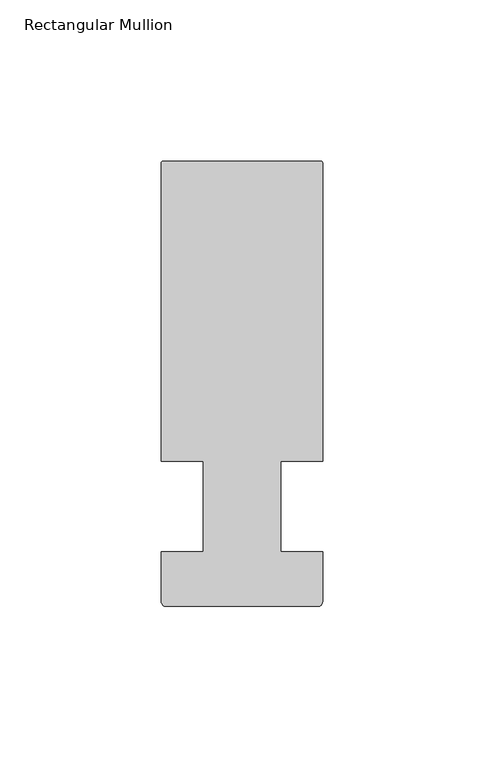
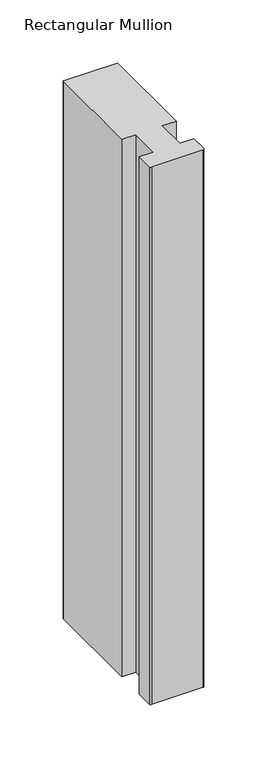
"""IFC4 building model written with IfcOpenShell, lengths in millimetres: member geometry, Rectangular Mullion."""

from ifc_helpers import new_model, si_unit, point, frame, frame_2d, origin, place, context, project, spatial, polyline, circle_curve, trimmed, segment, composite_curve, outline, extrude, source, transform, mapped, element, save


def rectangular_mullion_3da9b0ad(model_context):
    return source(origin(), model_context, "Body", "SweptSolid", [
        extrude(outline(composite_curve([segment(polyline([(25.0000007, 106.500001), (25.0000007, 14.0), (12.0000006, 14.0), (12.0000006, -14.0), (25.0000007, -14.0), (25.0000007, -29.499999)]), True, "CONTINUOUS"), segment(trimmed(circle_curve(frame_2d((23.5000007, -29.499999)), 1.5), [point((25.0000007, -29.499999))], [point((23.5000007, -30.999999))], False, "CARTESIAN"), True, "CONTINUOUS"), segment(polyline([(23.5000007, -30.999999), (-23.4999993, -30.999999)]), True, "CONTINUOUS"), segment(trimmed(circle_curve(frame_2d((-23.4999993, -29.499999)), 1.5), [point((-23.4999993, -30.999999))], [point((-24.9999993, -29.499999))], False, "CARTESIAN"), True, "CONTINUOUS"), segment(polyline([(-24.9999993, -29.499999), (-24.9999993, -14.0), (-11.9995134, -14.0), (-11.9995134, 14.0), (-24.9999993, 14.0), (-24.9999993, 106.500001)]), True, "CONTINUOUS"), segment(trimmed(circle_curve(frame_2d((-24.4999993, 106.500001)), 0.5), [point((-24.9999993, 106.500001))], [point((-24.4999993, 107.000001))], False, "CARTESIAN"), True, "CONTINUOUS"), segment(polyline([(-24.4999993, 107.000001), (24.5000007, 107.000001)]), True, "CONTINUOUS"), segment(trimmed(circle_curve(frame_2d((24.5000007, 106.500001)), 0.5), [point((24.5000007, 107.000001))], [point((25.0000007, 106.500001))], False, "CARTESIAN"), True, "CONTINUOUS")], self_intersect=False)), frame((0.0, 0.0, -520.6992093), z_axis=(0.0, 0.0, 1.0), x_axis=(1.0, 0.0, 0.0)), (0.0, 0.0, 1.0), 520.6992093),
    ])


if __name__ == "__main__":
    model = new_model("IFC4")
    model_context = context("Model", 3, world=origin())
    ifc_project = project(units=[si_unit("LENGTHUNIT", "METRE", prefix="MILLI")], contexts=[model_context])
    site = spatial("IfcSite", under=ifc_project)
    building = spatial("IfcBuilding", under=site)
    placement = place(None, origin())
    rectangular_mullion_shape = rectangular_mullion_3da9b0ad(model_context)
    element("IfcMember", 1, ObjectType="Rectangular Mullion", at=placement, inside=building, context=model_context, shape_type="MappedRepresentation", body=[
        mapped(rectangular_mullion_shape, transform((0.0, 0.0, 0.0), x_axis=(1.0, 0.0, 0.0), y_axis=(0.0, 1.0, 0.0), z_axis=(0.0, 0.0, 1.0))),
    ])
    save(model, "model.ifc")
